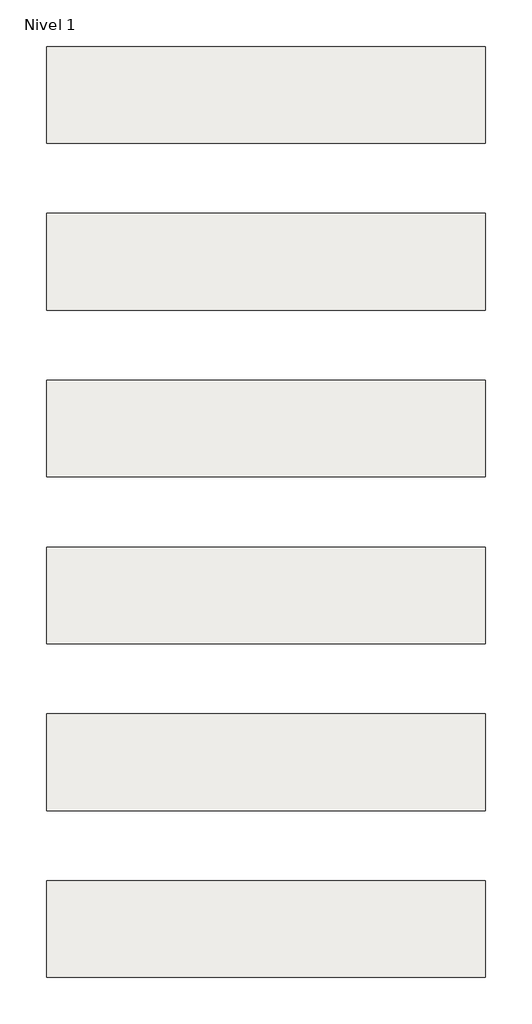
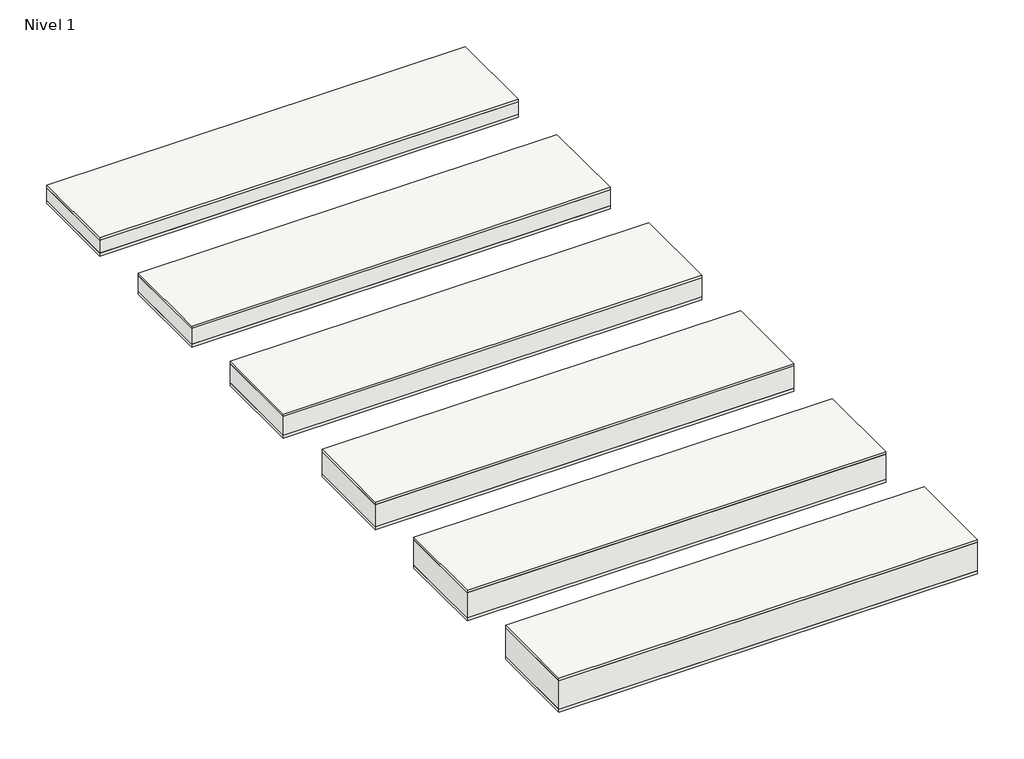
# One storey: 6 roofs.
"""IFC4 building model written with IfcOpenShell, lengths in millimetres."""

import ifcopenshell
import ifcopenshell.guid

model = None  # the IFC model being written
_history = None  # IfcOwnerHistory: only IFC2X3 demands one
_inside = {}  # id of a spatial element -> (the spatial element, [elements in it])
_under = {}  # id of a project, library or spatial element -> (it, [spatial elements below it])
_declared = {}  # id of a project -> (the project, [libraries it declares])
_typed = {}  # id of a type object -> (the type object, [elements of that type])
_made_of = {}  # id of a material, layer set ... -> (it, [elements and type objects made of it])


def new_model(schema):
    """Start an empty IFC model of exactly this schema.

    Asked for "IFC4X3", IfcOpenShell would pick the latest addendum, in which some entities
    have other attributes; the version numbers below select the first issue.
    IFC2X3 requires an IfcOwnerHistory on every rooted entity: one is made here for all.
    """
    global model, _history
    if schema == "IFC4X3":
        model = ifcopenshell.file(schema_version=(4, 3, 0, 0))
    else:
        model = ifcopenshell.file(schema=schema)
    _inside.clear()
    _under.clear()
    _declared.clear()
    _typed.clear()
    _made_of.clear()
    _history = None
    if model.schema == "IFC2X3":
        org = make("IfcOrganization", Name="unknown")
        user = make(
            "IfcPersonAndOrganization",
            ThePerson=make("IfcPerson", FamilyName="unknown"),
            TheOrganization=org,
        )
        app = make(
            "IfcApplication",
            ApplicationDeveloper=org,
            Version="unknown",
            ApplicationFullName="unknown",
            ApplicationIdentifier="unknown",
        )
        _history = make(
            "IfcOwnerHistory",
            OwningUser=user,
            OwningApplication=app,
            ChangeAction="ADDED",
            CreationDate=0,
        )
    return model


def make(cls, **values):
    """One entity of the class cls with the attributes given. An attribute that is None is left unset."""
    return model.create_entity(
        cls, **{name: value for name, value in values.items() if value is not None}
    )


def rooted(cls, **values):
    """An entity with a GlobalId (a new one), such as an element, a storey or a relation."""
    return make(cls, GlobalId=ifcopenshell.guid.new(), OwnerHistory=_history, **values)


def si_unit(unit_type, name, prefix=None):
    """IfcSIUnit, for example si_unit("LENGTHUNIT", "METRE", prefix="MILLI")."""
    return make("IfcSIUnit", UnitType=unit_type, Prefix=prefix, Name=name)


def assignment(units):
    """IfcUnitAssignment: the units of a project."""
    return None if units is None else make("IfcUnitAssignment", Units=units)


def point(xyz):
    """IfcCartesianPoint."""
    return None if xyz is None else make("IfcCartesianPoint", Coordinates=xyz)


def direction(xyz):
    """IfcDirection."""
    return None if xyz is None else make("IfcDirection", DirectionRatios=xyz)


def frame(location, z_axis=None, x_axis=None):
    """IfcAxis2Placement3D, a coordinate frame: its origin and axes. An axis left out is left unset."""
    return make(
        "IfcAxis2Placement3D",
        Location=point(location),
        Axis=direction(z_axis),
        RefDirection=direction(x_axis),
    )


def origin():
    """The frame at (0, 0, 0) with its axes left unset."""
    return frame((0.0, 0.0, 0.0))


def origin_with_axes():
    """The frame at (0, 0, 0) with the z axis (0, 0, 1) and the x axis (1, 0, 0) written out."""
    return frame((0.0, 0.0, 0.0), z_axis=(0.0, 0.0, 1.0), x_axis=(1.0, 0.0, 0.0))


def place(relative_to, where):
    """IfcLocalPlacement: puts the frame where relative to a parent placement (None: the world)."""
    return make(
        "IfcLocalPlacement", PlacementRelTo=relative_to, RelativePlacement=where
    )


def context(
    kind, dimensions, precision=None, world=None, true_north=None, identifier=None
):
    """IfcGeometricRepresentationContext, for example the 3D "Model" context."""
    return make(
        "IfcGeometricRepresentationContext",
        ContextIdentifier=identifier,
        ContextType=kind,
        CoordinateSpaceDimension=dimensions,
        Precision=precision,
        WorldCoordinateSystem=world,
        TrueNorth=true_north,
    )


def project(units=None, contexts=None):
    """IfcProject with its units and contexts."""
    return rooted(
        "IfcProject",
        Name="project",
        RepresentationContexts=contexts,
        UnitsInContext=assignment(units),
    )


def spatial(cls, under=None, at=None, **own):
    """A site, building, storey or space (cls), placed at a placement, below another one or the project."""
    s = rooted(cls, ObjectPlacement=at, **own)
    if under is not None:
        _under.setdefault(under.id(), (under, []))[1].append(s)
    return s


def polyline(points):
    """IfcPolyline through the points."""
    return make("IfcPolyline", Points=[point(p) for p in points])


def outline(outer, holes=None, kind="AREA"):
    """IfcArbitraryClosedProfileDef: a profile drawn as a closed curve; with holes, ...WithVoids."""
    if holes is None:
        return make("IfcArbitraryClosedProfileDef", ProfileType=kind, OuterCurve=outer)
    return make(
        "IfcArbitraryProfileDefWithVoids",
        ProfileType=kind,
        OuterCurve=outer,
        InnerCurves=holes,
    )


def extrude(swept, where, along, depth):
    """IfcExtrudedAreaSolid: the profile swept, set in the frame where, extruded along a direction by depth."""
    return make(
        "IfcExtrudedAreaSolid",
        SweptArea=swept,
        Position=where,
        ExtrudedDirection=direction(along),
        Depth=depth,
    )


def shape(context_of_items, identifier, shape_type, items):
    """IfcShapeRepresentation: the items that make up one representation, for example the "Body"."""
    return make(
        "IfcShapeRepresentation",
        ContextOfItems=context_of_items,
        RepresentationIdentifier=identifier,
        RepresentationType=shape_type,
        Items=items,
    )


def made_of(thing, what):
    """Note that an element or type object is made of a material, layer set ...; save() writes the relation."""
    if what is not None:
        _made_of.setdefault(what.id(), (what, []))[1].append(thing)
    return thing


def element(
    cls,
    number,
    at=None,
    inside=None,
    cuts=None,
    type_object=None,
    material=None,
    context=None,
    identifier="Body",
    shape_type=None,
    held_by="IfcProductDefinitionShape",
    body=None,
    shapes=None,
    **own,
):
    """One element of the class cls, such as IfcWall. Its Tag is "e" and its number.

    at: its placement. inside: the storey or other place that contains it. cuts: it is an
    opening in that element (IfcRelVoidsElement). A single representation is given by context,
    identifier, shape_type and body (its items); several are given by shapes. held_by: the class
    of the entity that holds the representations. save() writes the other relations.
    """
    e = rooted(cls, Tag="e%d" % number, ObjectPlacement=at, **own)
    if body is not None:
        shapes = [shape(context, identifier, shape_type, body)]
    if shapes is not None:
        e.Representation = make(held_by, Representations=shapes)
    if inside is not None:
        _inside.setdefault(inside.id(), (inside, []))[1].append(e)
    if cuts is not None:
        rooted(
            "IfcRelVoidsElement", RelatingBuildingElement=cuts, RelatedOpeningElement=e
        )
    if type_object is not None:
        _typed.setdefault(type_object.id(), (type_object, []))[1].append(e)
    return made_of(e, material)


def aggregate(whole, parts):
    """IfcRelAggregates: a whole, such as a stair, and the parts it consists of."""
    return rooted("IfcRelAggregates", RelatingObject=whole, RelatedObjects=parts)


def save(model, path):
    """Write the relations noted so far, then the file.

    IfcRelAggregates (storeys below a building ...), IfcRelContainedInSpatialStructure (elements
    in a storey), IfcRelDefinesByType, IfcRelAssociatesMaterial and IfcRelDeclares: one each for
    every whole, place, type object, material and project.
    """
    for whole, parts in _under.values():
        aggregate(whole, parts)
    for where, things in _inside.values():
        rooted(
            "IfcRelContainedInSpatialStructure",
            RelatedElements=things,
            RelatingStructure=where,
        )
    for kind, things in _typed.values():
        rooted("IfcRelDefinesByType", RelatedObjects=things, RelatingType=kind)
    for what, things in _made_of.values():
        rooted("IfcRelAssociatesMaterial", RelatedObjects=things, RelatingMaterial=what)
    for by, libraries in _declared.values():
        rooted("IfcRelDeclares", RelatingContext=by, RelatedDefinitions=libraries)
    model.write(path)


model = new_model("IFC4")

# Units and contexts
model_context = context("Model", 3, world=origin())
ifc_project = project(units=[si_unit("LENGTHUNIT", "METRE", prefix="MILLI")], contexts=[model_context])

# Site, building, storey
site = spatial("IfcSite", under=ifc_project)
building = spatial("IfcBuilding", under=site)
storey = spatial("IfcBuildingStorey", under=building, Name="Nivel 1", Elevation=0.0)

# Roofs
placement = place(None, origin())
element("IfcRoof", 1, at=placement, inside=storey, context=model_context, shape_type="SweptSolid", body=[
    extrude(outline(polyline([(-3824.6699095, -6894.5376473), (-1324.6699095, -6894.5376473), (-1324.6699095, -7444.5376473), (-3824.6699095, -7444.5376473), (-3824.6699095, -6894.5376473)])), frame((0.0, 0.0, 119.0), z_axis=(0.0, 0.0, 1.0), x_axis=(1.0, 0.0, 0.0)), (0.0, 0.0, 1.0), 15.0),
    extrude(outline(polyline([(-3824.6699095, -6894.5376473), (-1324.6699095, -6894.5376473), (-1324.6699095, -7444.5376473), (-3824.6699095, -7444.5376473), (-3824.6699095, -6894.5376473)])), frame((0.0, 0.0, 19.0), z_axis=(0.0, 0.0, 1.0), x_axis=(1.0, 0.0, 0.0)), (0.0, 0.0, 1.0), 100.0),
    extrude(outline(polyline([(-3824.6699095, -6894.5376473), (-1324.6699095, -6894.5376473), (-1324.6699095, -7444.5376473), (-3824.6699095, -7444.5376473), (-3824.6699095, -6894.5376473)])), origin_with_axes(), (0.0, 0.0, 1.0), 19.0),
])
element("IfcRoof", 2, at=placement, inside=storey, context=model_context, shape_type="SweptSolid", body=[
    extrude(outline(polyline([(-3824.6699095, -5944.5376473), (-1324.6699095, -5944.5376473), (-1324.6699095, -6494.5376473), (-3824.6699095, -6494.5376473), (-3824.6699095, -5944.5376473)])), frame((0.0, 0.0, 99.0), z_axis=(0.0, 0.0, 1.0), x_axis=(1.0, 0.0, 0.0)), (0.0, 0.0, 1.0), 15.0),
    extrude(outline(polyline([(-3824.6699095, -5944.5376473), (-1324.6699095, -5944.5376473), (-1324.6699095, -6494.5376473), (-3824.6699095, -6494.5376473), (-3824.6699095, -5944.5376473)])), frame((0.0, 0.0, 19.0), z_axis=(0.0, 0.0, 1.0), x_axis=(1.0, 0.0, 0.0)), (0.0, 0.0, 1.0), 80.0),
    extrude(outline(polyline([(-3824.6699095, -5944.5376473), (-1324.6699095, -5944.5376473), (-1324.6699095, -6494.5376473), (-3824.6699095, -6494.5376473), (-3824.6699095, -5944.5376473)])), origin_with_axes(), (0.0, 0.0, 1.0), 19.0),
])
element("IfcRoof", 3, at=placement, inside=storey, context=model_context, shape_type="SweptSolid", body=[
    extrude(outline(polyline([(-3824.6699095, -7844.5376473), (-1324.6699095, -7844.5376473), (-1324.6699095, -8394.5376473), (-3824.6699095, -8394.5376473), (-3824.6699095, -7844.5376473)])), frame((0.0, 0.0, 139.0), z_axis=(0.0, 0.0, 1.0), x_axis=(1.0, 0.0, 0.0)), (0.0, 0.0, 1.0), 15.0),
    extrude(outline(polyline([(-3824.6699095, -7844.5376473), (-1324.6699095, -7844.5376473), (-1324.6699095, -8394.5376473), (-3824.6699095, -8394.5376473), (-3824.6699095, -7844.5376473)])), frame((0.0, 0.0, 19.0), z_axis=(0.0, 0.0, 1.0), x_axis=(1.0, 0.0, 0.0)), (0.0, 0.0, 1.0), 120.0),
    extrude(outline(polyline([(-3824.6699095, -7844.5376473), (-1324.6699095, -7844.5376473), (-1324.6699095, -8394.5376473), (-3824.6699095, -8394.5376473), (-3824.6699095, -7844.5376473)])), origin_with_axes(), (0.0, 0.0, 1.0), 19.0),
])
element("IfcRoof", 4, at=placement, inside=storey, context=model_context, shape_type="SweptSolid", body=[
    extrude(outline(polyline([(-3824.6699095, -8794.5376473), (-1324.6699095, -8794.5376473), (-1324.6699095, -9344.5376473), (-3824.6699095, -9344.5376473), (-3824.6699095, -8794.5376473)])), frame((0.0, 0.0, 159.0), z_axis=(0.0, 0.0, 1.0), x_axis=(1.0, 0.0, 0.0)), (0.0, 0.0, 1.0), 15.0),
    extrude(outline(polyline([(-3824.6699095, -8794.5376473), (-1324.6699095, -8794.5376473), (-1324.6699095, -9344.5376473), (-3824.6699095, -9344.5376473), (-3824.6699095, -8794.5376473)])), frame((0.0, 0.0, 19.0), z_axis=(0.0, 0.0, 1.0), x_axis=(1.0, 0.0, 0.0)), (0.0, 0.0, 1.0), 140.0),
    extrude(outline(polyline([(-3824.6699095, -8794.5376473), (-1324.6699095, -8794.5376473), (-1324.6699095, -9344.5376473), (-3824.6699095, -9344.5376473), (-3824.6699095, -8794.5376473)])), origin_with_axes(), (0.0, 0.0, 1.0), 19.0),
])
element("IfcRoof", 5, at=placement, inside=storey, context=model_context, shape_type="SweptSolid", body=[
    extrude(outline(polyline([(-3824.6699095, -9744.5376473), (-1324.6699095, -9744.5376473), (-1324.6699095, -10294.5376473), (-3824.6699095, -10294.5376473), (-3824.6699095, -9744.5376473)])), frame((0.0, 0.0, 179.0), z_axis=(0.0, 0.0, 1.0), x_axis=(1.0, 0.0, 0.0)), (0.0, 0.0, 1.0), 15.0),
    extrude(outline(polyline([(-3824.6699095, -9744.5376473), (-1324.6699095, -9744.5376473), (-1324.6699095, -10294.5376473), (-3824.6699095, -10294.5376473), (-3824.6699095, -9744.5376473)])), frame((0.0, 0.0, 19.0), z_axis=(0.0, 0.0, 1.0), x_axis=(1.0, 0.0, 0.0)), (0.0, 0.0, 1.0), 160.0),
    extrude(outline(polyline([(-3824.6699095, -9744.5376473), (-1324.6699095, -9744.5376473), (-1324.6699095, -10294.5376473), (-3824.6699095, -10294.5376473), (-3824.6699095, -9744.5376473)])), origin_with_axes(), (0.0, 0.0, 1.0), 19.0),
])
element("IfcRoof", 6, at=placement, inside=storey, context=model_context, shape_type="SweptSolid", body=[
    extrude(outline(polyline([(-3824.6699095, -10694.5376473), (-1324.6699095, -10694.5376473), (-1324.6699095, -11244.5376473), (-3824.6699095, -11244.5376473), (-3824.6699095, -10694.5376473)])), frame((0.0, 0.0, 199.0), z_axis=(0.0, 0.0, 1.0), x_axis=(1.0, 0.0, 0.0)), (0.0, 0.0, 1.0), 15.0),
    extrude(outline(polyline([(-3824.6699095, -10694.5376473), (-1324.6699095, -10694.5376473), (-1324.6699095, -11244.5376473), (-3824.6699095, -11244.5376473), (-3824.6699095, -10694.5376473)])), frame((0.0, 0.0, 19.0), z_axis=(0.0, 0.0, 1.0), x_axis=(1.0, 0.0, 0.0)), (0.0, 0.0, 1.0), 180.0),
    extrude(outline(polyline([(-3824.6699095, -10694.5376473), (-1324.6699095, -10694.5376473), (-1324.6699095, -11244.5376473), (-3824.6699095, -11244.5376473), (-3824.6699095, -10694.5376473)])), origin_with_axes(), (0.0, 0.0, 1.0), 19.0),
])

save(model, "model.ifc")
